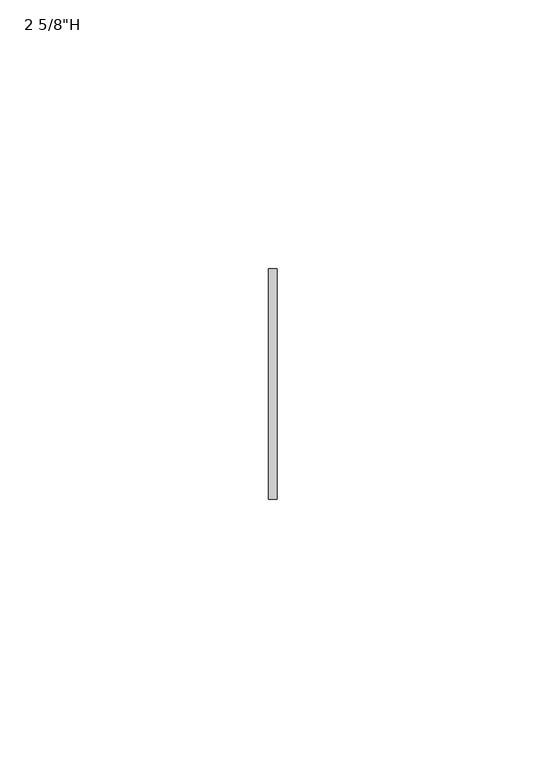
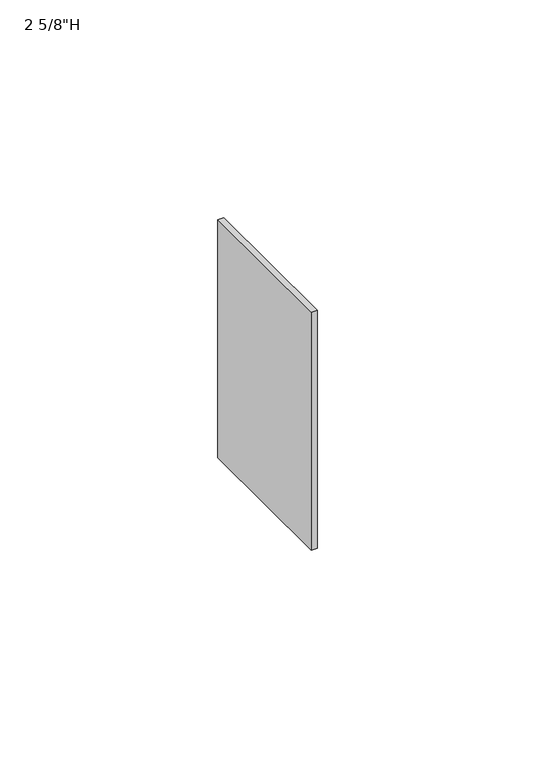
"""IFC4 building model written with IfcOpenShell, lengths in millimetres: furniture geometry."""

from ifc_helpers import new_model, si_unit, frame, origin, place, context, project, spatial, polyline, outline, extrude, source, transform, mapped, element, save


def furniture_4efa7979(model_context):
    return source(origin(), model_context, "Body", "SweptSolid", [
        extrude(outline(polyline([(-0.79375, -111.125), (0.79375, -111.125), (0.79375, -153.9875), (-0.79375, -153.9875), (-0.79375, -111.125)])), frame((0.0, 0.0, 1019.175), z_axis=(0.0, 0.0, 1.0), x_axis=(1.0, 0.0, 0.0)), (0.0, 0.0, 1.0), 66.675),
    ])


if __name__ == "__main__":
    model = new_model("IFC4")
    model_context = context("Model", 3, world=origin())
    ifc_project = project(units=[si_unit("LENGTHUNIT", "METRE", prefix="MILLI")], contexts=[model_context])
    site = spatial("IfcSite", under=ifc_project)
    building = spatial("IfcBuilding", under=site)
    placement = place(None, origin())
    furniture_shape = furniture_4efa7979(model_context)
    element("IfcFurniture", 1, ObjectType="2 5/8\"H", at=placement, inside=building, context=model_context, shape_type="MappedRepresentation", body=[
        mapped(furniture_shape, transform((0.0, 0.0, 0.0), x_axis=(1.0, 0.0, 0.0), y_axis=(0.0, 1.0, 0.0), z_axis=(0.0, 0.0, 1.0))),
    ])
    save(model, "model.ifc")
